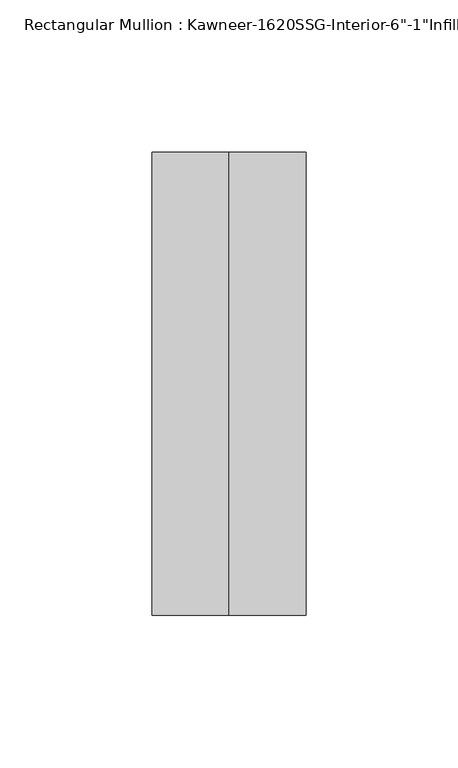
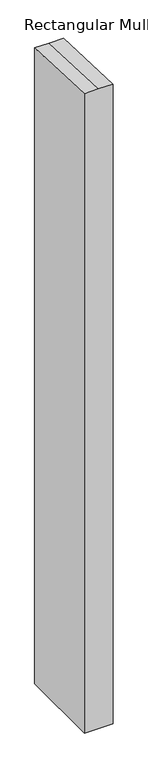
"""IFC4 building model written with IfcOpenShell, lengths in millimetres: member geometry."""

from ifc_helpers import new_model, si_unit, origin, place, context, project, spatial, faceted_brep, source, transform, mapped, element, save


def member_d81dc0f8(model_context):
    return source(origin(), model_context, "Body", "Brep", [
        faceted_brep([(25.4, -114.3, -1193.6001446), (-25.4, -114.3, -1193.6001446), (-25.4, 38.1, -1193.6001446), (25.4, 38.1, -1193.6001446), (25.4, 38.1, -1.2476114), (25.4, -114.3, 5.4063163), (-25.4, 38.1, -1.2476114), (0.0, 38.1, -1.2476114), (-25.4, -114.3, 5.4063163), (0.0, -114.3, 5.4063163)], [[[0, 1, 2, 3]], [[4, 5, 0, 3]], [[6, 7, 4, 3, 2]], [[8, 6, 2, 1]], [[5, 9, 8, 1, 0]], [[5, 4, 7, 9]], [[7, 6, 8, 9]]]),
    ])


if __name__ == "__main__":
    model = new_model("IFC4")
    model_context = context("Model", 3, world=origin())
    ifc_project = project(units=[si_unit("LENGTHUNIT", "METRE", prefix="MILLI")], contexts=[model_context])
    site = spatial("IfcSite", under=ifc_project)
    building = spatial("IfcBuilding", under=site)
    placement = place(None, origin())
    member_shape = member_d81dc0f8(model_context)
    element("IfcMember", 1, ObjectType="Rectangular Mullion : Kawneer-1620SSG-Interior-6\"-1\"Infill", at=placement, inside=building, context=model_context, shape_type="MappedRepresentation", body=[
        mapped(member_shape, transform((0.0, 0.0, 0.0), x_axis=(1.0, 0.0, 0.0), y_axis=(0.0, 1.0, 0.0), z_axis=(0.0, 0.0, 1.0))),
    ])
    save(model, "model.ifc")
